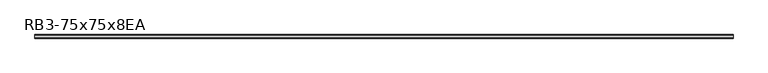
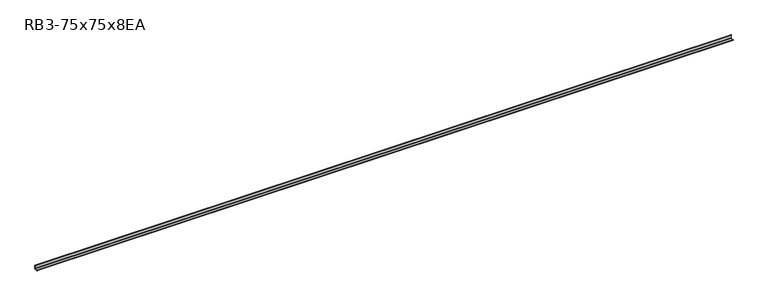
"""IFC4 building model written with IfcOpenShell, lengths in millimetres: member geometry, RB3-75x75x8EA."""

from ifc_helpers import new_model, si_unit, point, frame, frame_2d, origin, place, context, project, spatial, polyline, circle_curve, trimmed, segment, composite_curve, outline, extrude, source, transform, mapped, element, save


def rb3_75x75x8ea_e17b5cda(model_context):
    return source(origin(), model_context, "Body", "SweptSolid", [
        extrude(outline(composite_curve([segment(polyline([(21.3, -21.3), (-53.7, -21.3), (-53.7, -18.3)]), True, "CONTINUOUS"), segment(trimmed(circle_curve(frame_2d((-48.7, -18.3)), 5.0), [point((-53.7, -18.3))], [point((-48.7, -13.3))], False, "CARTESIAN"), True, "CONTINUOUS"), segment(polyline([(-48.7, -13.3), (5.3, -13.3)]), True, "CONTINUOUS"), segment(trimmed(circle_curve(frame_2d((5.3, -5.3)), 8.0), [point((5.3, -13.3))], [point((13.3, -5.3))], True, "CARTESIAN"), True, "CONTINUOUS"), segment(polyline([(13.3, -5.3), (13.3, 48.7)]), True, "CONTINUOUS"), segment(trimmed(circle_curve(frame_2d((18.3, 48.7)), 5.0), [point((13.3, 48.7))], [point((18.3, 53.7))], False, "CARTESIAN"), True, "CONTINUOUS"), segment(polyline([(18.3, 53.7), (21.3, 53.7), (21.3, -21.3)]), True, "CONTINUOUS")], self_intersect=False)), frame((-7364.0, 0.0, 0.0), z_axis=(1.0, 0.0, 0.0), x_axis=(0.0, 1.0, 0.0)), (0.0, 0.0, 1.0), 14573.6075528),
    ])


if __name__ == "__main__":
    model = new_model("IFC4")
    model_context = context("Model", 3, world=origin())
    ifc_project = project(units=[si_unit("LENGTHUNIT", "METRE", prefix="MILLI")], contexts=[model_context])
    site = spatial("IfcSite", under=ifc_project)
    building = spatial("IfcBuilding", under=site)
    placement = place(None, origin())
    rb3_75x75x8ea_shape = rb3_75x75x8ea_e17b5cda(model_context)
    element("IfcMember", 1, ObjectType="RB3-75x75x8EA", at=placement, inside=building, context=model_context, shape_type="MappedRepresentation", body=[
        mapped(rb3_75x75x8ea_shape, transform((0.0, 0.0, 0.0), x_axis=(1.0, 0.0, 0.0), y_axis=(0.0, 1.0, 0.0), z_axis=(0.0, 0.0, 1.0))),
    ])
    save(model, "model.ifc")
